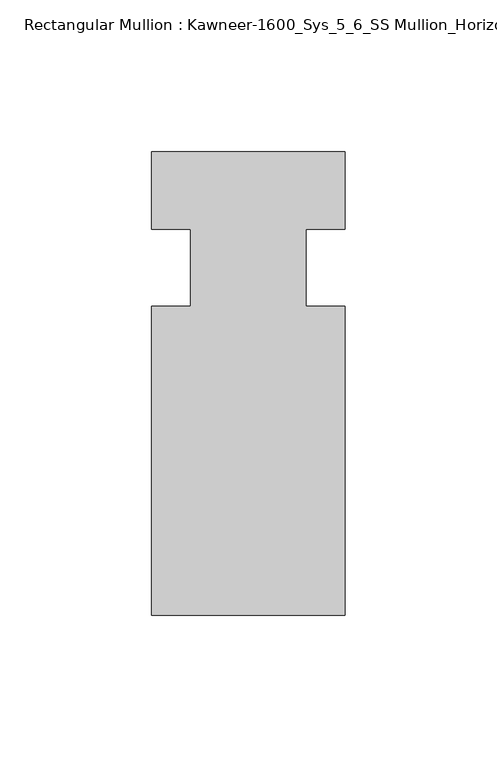
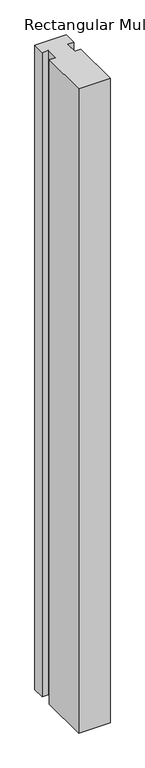
"""IFC4 building model written with IfcOpenShell, lengths in millimetres: member geometry, Rectangular Mullion : Kawneer-1600_Sys_5_6_SS Mullion_Horizontal."""

import ifcopenshell
import ifcopenshell.guid

model = None  # the IFC model being written
_history = None  # IfcOwnerHistory: only IFC2X3 demands one
_inside = {}  # id of a spatial element -> (the spatial element, [elements in it])
_under = {}  # id of a project, library or spatial element -> (it, [spatial elements below it])
_declared = {}  # id of a project -> (the project, [libraries it declares])
_typed = {}  # id of a type object -> (the type object, [elements of that type])
_made_of = {}  # id of a material, layer set ... -> (it, [elements and type objects made of it])


def new_model(schema):
    """Start an empty IFC model of exactly this schema.

    Asked for "IFC4X3", IfcOpenShell would pick the latest addendum, in which some entities
    have other attributes; the version numbers below select the first issue.
    IFC2X3 requires an IfcOwnerHistory on every rooted entity: one is made here for all.
    """
    global model, _history
    if schema == "IFC4X3":
        model = ifcopenshell.file(schema_version=(4, 3, 0, 0))
    else:
        model = ifcopenshell.file(schema=schema)
    _inside.clear()
    _under.clear()
    _declared.clear()
    _typed.clear()
    _made_of.clear()
    _history = None
    if model.schema == "IFC2X3":
        org = make("IfcOrganization", Name="unknown")
        user = make(
            "IfcPersonAndOrganization",
            ThePerson=make("IfcPerson", FamilyName="unknown"),
            TheOrganization=org,
        )
        app = make(
            "IfcApplication",
            ApplicationDeveloper=org,
            Version="unknown",
            ApplicationFullName="unknown",
            ApplicationIdentifier="unknown",
        )
        _history = make(
            "IfcOwnerHistory",
            OwningUser=user,
            OwningApplication=app,
            ChangeAction="ADDED",
            CreationDate=0,
        )
    return model


def make(cls, **values):
    """One entity of the class cls with the attributes given. An attribute that is None is left unset."""
    return model.create_entity(
        cls, **{name: value for name, value in values.items() if value is not None}
    )


def rooted(cls, **values):
    """An entity with a GlobalId (a new one), such as an element, a storey or a relation."""
    return make(cls, GlobalId=ifcopenshell.guid.new(), OwnerHistory=_history, **values)


def si_unit(unit_type, name, prefix=None):
    """IfcSIUnit, for example si_unit("LENGTHUNIT", "METRE", prefix="MILLI")."""
    return make("IfcSIUnit", UnitType=unit_type, Prefix=prefix, Name=name)


def assignment(units):
    """IfcUnitAssignment: the units of a project."""
    return None if units is None else make("IfcUnitAssignment", Units=units)


def point(xyz):
    """IfcCartesianPoint."""
    return None if xyz is None else make("IfcCartesianPoint", Coordinates=xyz)


def direction(xyz):
    """IfcDirection."""
    return None if xyz is None else make("IfcDirection", DirectionRatios=xyz)


def frame(location, z_axis=None, x_axis=None):
    """IfcAxis2Placement3D, a coordinate frame: its origin and axes. An axis left out is left unset."""
    return make(
        "IfcAxis2Placement3D",
        Location=point(location),
        Axis=direction(z_axis),
        RefDirection=direction(x_axis),
    )


def origin():
    """The frame at (0, 0, 0) with its axes left unset."""
    return frame((0.0, 0.0, 0.0))


def place(relative_to, where):
    """IfcLocalPlacement: puts the frame where relative to a parent placement (None: the world)."""
    return make(
        "IfcLocalPlacement", PlacementRelTo=relative_to, RelativePlacement=where
    )


def context(
    kind, dimensions, precision=None, world=None, true_north=None, identifier=None
):
    """IfcGeometricRepresentationContext, for example the 3D "Model" context."""
    return make(
        "IfcGeometricRepresentationContext",
        ContextIdentifier=identifier,
        ContextType=kind,
        CoordinateSpaceDimension=dimensions,
        Precision=precision,
        WorldCoordinateSystem=world,
        TrueNorth=true_north,
    )


def project(units=None, contexts=None):
    """IfcProject with its units and contexts."""
    return rooted(
        "IfcProject",
        Name="project",
        RepresentationContexts=contexts,
        UnitsInContext=assignment(units),
    )


def spatial(cls, under=None, at=None, **own):
    """A site, building, storey or space (cls), placed at a placement, below another one or the project."""
    s = rooted(cls, ObjectPlacement=at, **own)
    if under is not None:
        _under.setdefault(under.id(), (under, []))[1].append(s)
    return s


def polyline(points):
    """IfcPolyline through the points."""
    return make("IfcPolyline", Points=[point(p) for p in points])


def outline(outer, holes=None, kind="AREA"):
    """IfcArbitraryClosedProfileDef: a profile drawn as a closed curve; with holes, ...WithVoids."""
    if holes is None:
        return make("IfcArbitraryClosedProfileDef", ProfileType=kind, OuterCurve=outer)
    return make(
        "IfcArbitraryProfileDefWithVoids",
        ProfileType=kind,
        OuterCurve=outer,
        InnerCurves=holes,
    )


def extrude(swept, where, along, depth):
    """IfcExtrudedAreaSolid: the profile swept, set in the frame where, extruded along a direction by depth."""
    return make(
        "IfcExtrudedAreaSolid",
        SweptArea=swept,
        Position=where,
        ExtrudedDirection=direction(along),
        Depth=depth,
    )


def shape(context_of_items, identifier, shape_type, items):
    """IfcShapeRepresentation: the items that make up one representation, for example the "Body"."""
    return make(
        "IfcShapeRepresentation",
        ContextOfItems=context_of_items,
        RepresentationIdentifier=identifier,
        RepresentationType=shape_type,
        Items=items,
    )


def source(mapping_origin, context_of_items, identifier, shape_type, items):
    """IfcRepresentationMap: a shape defined once, which mapped items show again and again."""
    return make(
        "IfcRepresentationMap",
        MappingOrigin=mapping_origin,
        MappedRepresentation=shape(context_of_items, identifier, shape_type, items),
    )


def transform(
    local_origin,
    x_axis=None,
    y_axis=None,
    z_axis=None,
    scale=None,
    scale2=None,
    scale3=None,
    uniform=True,
):
    """IfcCartesianTransformationOperator3D, or its non-uniform kind. x_axis, y_axis, z_axis: its Axis1, 2, 3."""
    if uniform:
        return make(
            "IfcCartesianTransformationOperator3D",
            Axis1=direction(x_axis),
            Axis2=direction(y_axis),
            LocalOrigin=point(local_origin),
            Scale=scale,
            Axis3=direction(z_axis),
        )
    return make(
        "IfcCartesianTransformationOperator3DnonUniform",
        Axis1=direction(x_axis),
        Axis2=direction(y_axis),
        LocalOrigin=point(local_origin),
        Scale=scale,
        Axis3=direction(z_axis),
        Scale2=scale2,
        Scale3=scale3,
    )


def mapped(mapping_source, mapping_target):
    """IfcMappedItem: shows the shape of a source again, moved by a transform."""
    return make(
        "IfcMappedItem", MappingSource=mapping_source, MappingTarget=mapping_target
    )


def made_of(thing, what):
    """Note that an element or type object is made of a material, layer set ...; save() writes the relation."""
    if what is not None:
        _made_of.setdefault(what.id(), (what, []))[1].append(thing)
    return thing


def element(
    cls,
    number,
    at=None,
    inside=None,
    cuts=None,
    type_object=None,
    material=None,
    context=None,
    identifier="Body",
    shape_type=None,
    held_by="IfcProductDefinitionShape",
    body=None,
    shapes=None,
    **own,
):
    """One element of the class cls, such as IfcWall. Its Tag is "e" and its number.

    at: its placement. inside: the storey or other place that contains it. cuts: it is an
    opening in that element (IfcRelVoidsElement). A single representation is given by context,
    identifier, shape_type and body (its items); several are given by shapes. held_by: the class
    of the entity that holds the representations. save() writes the other relations.
    """
    e = rooted(cls, Tag="e%d" % number, ObjectPlacement=at, **own)
    if body is not None:
        shapes = [shape(context, identifier, shape_type, body)]
    if shapes is not None:
        e.Representation = make(held_by, Representations=shapes)
    if inside is not None:
        _inside.setdefault(inside.id(), (inside, []))[1].append(e)
    if cuts is not None:
        rooted(
            "IfcRelVoidsElement", RelatingBuildingElement=cuts, RelatedOpeningElement=e
        )
    if type_object is not None:
        _typed.setdefault(type_object.id(), (type_object, []))[1].append(e)
    return made_of(e, material)


def aggregate(whole, parts):
    """IfcRelAggregates: a whole, such as a stair, and the parts it consists of."""
    return rooted("IfcRelAggregates", RelatingObject=whole, RelatedObjects=parts)


def save(model, path):
    """Write the relations noted so far, then the file.

    IfcRelAggregates (storeys below a building ...), IfcRelContainedInSpatialStructure (elements
    in a storey), IfcRelDefinesByType, IfcRelAssociatesMaterial and IfcRelDeclares: one each for
    every whole, place, type object, material and project.
    """
    for whole, parts in _under.values():
        aggregate(whole, parts)
    for where, things in _inside.values():
        rooted(
            "IfcRelContainedInSpatialStructure",
            RelatedElements=things,
            RelatingStructure=where,
        )
    for kind, things in _typed.values():
        rooted("IfcRelDefinesByType", RelatedObjects=things, RelatingType=kind)
    for what, things in _made_of.values():
        rooted("IfcRelAssociatesMaterial", RelatedObjects=things, RelatingMaterial=what)
    for by, libraries in _declared.values():
        rooted("IfcRelDeclares", RelatingContext=by, RelatedDefinitions=libraries)
    model.write(path)


def rectangular_mullion_kawneer_1600_sys_5_6_ss_mullion_b9c9b955(model_context):
    return source(origin(), model_context, "Body", "SweptSolid", [
        extrude(outline(polyline([(36.0844027, -114.3), (-27.4155973, -114.3), (-27.4155973, -12.7), (-14.7155973, -12.7), (-14.7155973, 12.7), (-27.4155973, 12.7), (-27.4155973, 38.1), (36.0844027, 38.1), (36.0844027, 12.7), (23.3826322, 12.7), (23.3826322, -12.7), (36.0844027, -12.7), (36.0844027, -114.3)])), frame((0.0, 0.0, -1373.6155973), z_axis=(0.0, 0.0, 1.0), x_axis=(1.0, 0.0, 0.0)), (0.0, 0.0, 1.0), 1373.6155973),
    ])


if __name__ == "__main__":
    model = new_model("IFC4")
    model_context = context("Model", 3, world=origin())
    ifc_project = project(units=[si_unit("LENGTHUNIT", "METRE", prefix="MILLI")], contexts=[model_context])
    site = spatial("IfcSite", under=ifc_project)
    building = spatial("IfcBuilding", under=site)
    placement = place(None, origin())
    rectangular_mullion_kawneer_1600_sys_5_6_ss_mullion_shape = rectangular_mullion_kawneer_1600_sys_5_6_ss_mullion_b9c9b955(model_context)
    element("IfcMember", 1, ObjectType="Rectangular Mullion : Kawneer-1600_Sys_5_6_SS Mullion_Horizontal", at=placement, inside=building, context=model_context, shape_type="MappedRepresentation", body=[
        mapped(rectangular_mullion_kawneer_1600_sys_5_6_ss_mullion_shape, transform((0.0, 0.0, 0.0), x_axis=(1.0, 0.0, 0.0), y_axis=(0.0, 1.0, 0.0), z_axis=(0.0, 0.0, 1.0))),
    ])
    save(model, "model.ifc")
